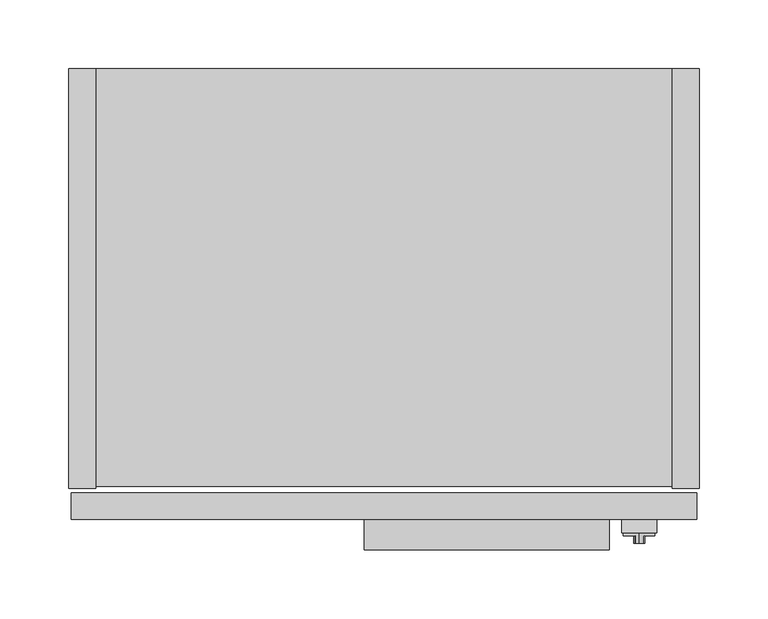
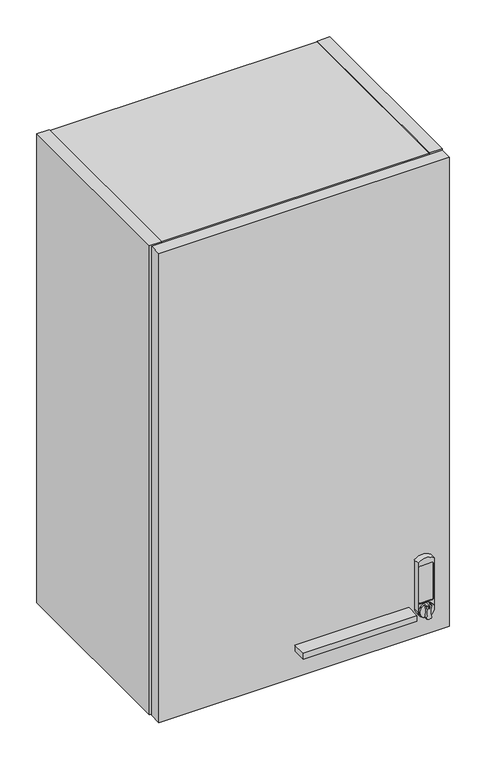
"""IFC4 building model written with IfcOpenShell, lengths in millimetres: furniture geometry."""

from ifc_helpers import new_model, si_unit, point, frame, frame_2d, origin, place, context, project, spatial, polyline, circle_curve, trimmed, segment, composite_curve, outline, extrude, source, transform, mapped, element, save
from ifc_brep_helpers import plane_surface, cylinder_surface, revolved_surface, advanced_brep


def furniture_89d7858a(model_context):
    return source(origin(), model_context, "Body", "SolidModel", [
        advanced_brep(
        [(413.7025, -344.551, 1939.7791484), (410.748813, -344.551, 1939.3909161), (409.8355336, -344.551, 1937.6339969), (409.8053845, -344.551, 1918.5009499), (410.748813, -344.551, 1917.3073808), (413.7025, -344.551, 1916.9191484), (416.656187, -344.551, 1917.3073808), (417.5996155, -344.551, 1918.5009499), (417.5694664, -344.551, 1937.6339969), (416.656187, -344.551, 1939.3909161), (412.9405, -344.551, 1937.7617878), (414.4645, -344.551, 1937.7617878), (414.4645, -344.551, 1934.4712263), (412.9405, -344.551, 1934.4712263), (413.7025, -336.931, 1939.7791484), (413.7025, -336.931, 1916.9191484), (416.656187, -339.1034403, 1939.3909161), (416.656187, -339.1034403, 1917.3073808), (410.748813, -339.1034403, 1917.3073808), (410.748813, -339.1034403, 1939.3909161), (409.8053845, -339.1034403, 1918.5009499), (409.8355336, -339.1034403, 1937.6339969), (417.5996155, -339.1034403, 1918.5009499), (417.5694664, -339.1034403, 1937.6339969), (412.9405, -343.3268699, 1934.4712263), (414.4645, -343.3268699, 1934.4712263), (414.4645, -343.3268699, 1937.7617878), (412.9405, -343.3268699, 1937.7617878)],
        [
            (0, 1, circle_curve(frame((413.7025, -344.551, 1928.3491484), z_axis=(0.0, -1.0, 0.0), x_axis=(0.0, 0.0, -1.0)), 11.43)),
            (1, 2, circle_curve(frame((411.28904, -344.551, 1937.9942665), z_axis=(0.0, -1.0, 0.0), x_axis=(0.0, 0.0, -1.0)), 1.4974896)),
            (2, 3, circle_curve(frame((371.4831576, -344.551, 1928.1278836), z_axis=(0.0, 1.0, 0.0), x_axis=(0.0, 0.0, -1.0)), 39.512921)),
            (3, 4, circle_curve(frame((411.28904, -344.551, 1918.7040303), z_axis=(0.0, -1.0, 0.0), x_axis=(0.0, 0.0, -1.0)), 1.4974896)),
            (4, 5, circle_curve(frame((413.7025, -344.551, 1928.3491484), z_axis=(0.0, -1.0, 0.0), x_axis=(0.0, 0.0, -1.0)), 11.43)),
            (5, 6, circle_curve(frame((413.7025, -344.551, 1928.3491484), z_axis=(0.0, -1.0, 0.0), x_axis=(0.0, 0.0, -1.0)), 11.43)),
            (6, 7, circle_curve(frame((416.11596, -344.551, 1918.7040303), z_axis=(0.0, -1.0, 0.0), x_axis=(0.0, 0.0, -1.0)), 1.4974896)),
            (7, 8, circle_curve(frame((455.9218424, -344.551, 1928.1278836), z_axis=(0.0, 1.0, 0.0), x_axis=(0.0, 0.0, -1.0)), 39.512921)),
            (8, 9, circle_curve(frame((416.11596, -344.551, 1937.9942665), z_axis=(0.0, -1.0, 0.0), x_axis=(0.0, 0.0, -1.0)), 1.4974896)),
            (9, 0, circle_curve(frame((413.7025, -344.551, 1928.3491484), z_axis=(0.0, -1.0, 0.0), x_axis=(0.0, 0.0, -1.0)), 11.43)),
            (10, 11, circle_curve(frame((413.7025, -344.551, 1937.7617878), z_axis=(0.0, 1.0, 0.0), x_axis=(0.0, 0.0, -1.0)), 0.762)),
            (11, 12),
            (12, 13, circle_curve(frame((413.7025, -344.551, 1934.4712263), z_axis=(0.0, 1.0, 0.0), x_axis=(0.0, 0.0, 1.0)), 0.762)),
            (13, 10),
            (14, 15, circle_curve(frame((413.7025, -336.931, 1928.3491484), z_axis=(0.0, 1.0, 0.0), x_axis=(0.0, 0.0, -1.0)), 11.43)),
            (15, 14, circle_curve(frame((413.7025, -336.931, 1928.3491484), z_axis=(0.0, 1.0, 0.0), x_axis=(0.0, 0.0, -1.0)), 11.43)),
            (14, 0),
            (9, 16),
            (16, 17, circle_curve(frame((413.7025, -339.1034403, 1928.3491484), z_axis=(0.0, 1.0, 0.0), x_axis=(0.0, 0.0, -1.0)), 11.43)),
            (17, 6),
            (5, 15),
            (4, 18),
            (18, 19, circle_curve(frame((413.7025, -339.1034403, 1928.3491484), z_axis=(0.0, 1.0, 0.0), x_axis=(0.0, 0.0, -1.0)), 11.43)),
            (19, 1),
            (20, 21, circle_curve(frame((371.4831576, -339.1034403, 1928.1278836), z_axis=(0.0, -1.0, 0.0), x_axis=(0.0, 0.0, -1.0)), 39.512921)),
            (21, 19, circle_curve(frame((411.28904, -339.1034403, 1937.9942665), z_axis=(0.0, 1.0, 0.0), x_axis=(0.0, 0.0, -1.0)), 1.4974896)),
            (18, 20, circle_curve(frame((411.28904, -339.1034403, 1918.7040303), z_axis=(0.0, 1.0, 0.0), x_axis=(0.0, 0.0, -1.0)), 1.4974896)),
            (22, 17, circle_curve(frame((416.11596, -339.1034403, 1918.7040303), z_axis=(0.0, 1.0, 0.0), x_axis=(0.0, 0.0, -1.0)), 1.4974896)),
            (16, 23, circle_curve(frame((416.11596, -339.1034403, 1937.9942665), z_axis=(0.0, 1.0, 0.0), x_axis=(0.0, 0.0, -1.0)), 1.4974896)),
            (23, 22, circle_curve(frame((455.9218424, -339.1034403, 1928.1278836), z_axis=(0.0, -1.0, 0.0), x_axis=(0.0, 0.0, -1.0)), 39.512921)),
            (3, 20),
            (21, 2),
            (23, 8),
            (7, 22),
            (24, 25, circle_curve(frame((413.7025, -343.3268699, 1934.4712263), z_axis=(0.0, -1.0, 0.0), x_axis=(0.0, 0.0, 1.0)), 0.762)),
            (25, 26),
            (26, 27, circle_curve(frame((413.7025, -343.3268699, 1937.7617878), z_axis=(0.0, -1.0, 0.0), x_axis=(0.0, 0.0, -1.0)), 0.762)),
            (27, 24),
            (27, 10),
            (13, 24),
            (26, 11),
            (25, 12),
        ],
        [
            plane_surface(frame((413.7025, -344.551, 1916.9191484), z_axis=(0.0, -1.0, 0.0), x_axis=(-1.0, 0.0, 0.0))),
            plane_surface(frame((413.7025, -336.931, 1916.9191484), z_axis=(0.0, 1.0, 0.0), x_axis=(1.0, 0.0, 0.0))),
            cylinder_surface(frame((413.7025, -336.931, 1928.3491484), z_axis=(0.0, -1.0, 0.0), x_axis=(0.0, 0.0, -1.0)), 11.43),
            plane_surface(frame((411.28904, -339.1034403, 1917.2065407), z_axis=(0.0, -1.0, 0.0), x_axis=(-1.0, 0.0, 0.0))),
            cylinder_surface(frame((411.28904, -339.1034403, 1918.7040303), z_axis=(0.0, 1.0, 0.0), x_axis=(0.0, 0.0, -1.0)), 1.4974896),
            cylinder_surface(frame((411.28904, -339.1034403, 1937.9942665), z_axis=(0.0, 1.0, 0.0), x_axis=(0.0, 0.0, -1.0)), 1.4974896),
            revolved_surface(polyline([(371.4831576, -344.551, 1888.6149626), (371.4831576, -339.1034403, 1888.6149626)]), (371.4831576, -339.1034403, 1928.1278836), (0.0, -1.0, 0.0)),
            revolved_surface(polyline([(455.9218424, -344.551, 1888.6149626), (455.9218424, -339.1034403, 1888.6149626)]), (455.9218424, -327.025, 1928.1278836), (0.0, -1.0, 0.0)),
            cylinder_surface(frame((416.11596, -327.025, 1937.9942665), z_axis=(0.0, 1.0, 0.0), x_axis=(0.0, 0.0, -1.0)), 1.4974896),
            cylinder_surface(frame((416.11596, -327.025, 1918.7040303), z_axis=(0.0, 1.0, 0.0), x_axis=(0.0, 0.0, -1.0)), 1.4974896),
            plane_surface(frame((412.9405, -343.3268699, 2013.5554451), z_axis=(0.0, -1.0, 0.0), x_axis=(0.0, 0.0, -1.0))),
            plane_surface(frame((412.9405, -344.551, 1934.4712263), z_axis=(1.0, 0.0, 0.0), x_axis=(0.0, 1.0, 0.0))),
            revolved_surface(polyline([(413.7025, -344.551, 1936.9997878000001), (413.7025, -343.3268699, 1936.9997878000001)]), (413.7025, -343.3268699, 1937.7617878), (0.0, -1.0, 0.0)),
            plane_surface(frame((414.4645, -344.551, 1937.7617878), z_axis=(-1.0, 0.0, 0.0), x_axis=(0.0, 1.0, 0.0))),
            revolved_surface(polyline([(413.7025, -344.551, 1935.2332262999998), (413.7025, -343.3268699, 1935.2332262999998)]), (413.7025, -343.3268699, 1934.4712263), (0.0, -1.0, 0.0)),
        ],
        [
            (0, [[1, 2, 3, 4, 5, 6, 7, 8, 9, 10], [11, 12, 13, 14]]),
            (1, [[15, 16]]),
            (2, [[17, -10, 18, 19, 20, -6, 21, -15]]),
            (2, [[-21, -5, 22, 23, 24, -1, -17, -16]]),
            (3, [[25, 26, -23, 27]]),
            (3, [[28, -19, 29, 30]]),
            (4, [[-22, -4, 31, -27]]),
            (5, [[32, -2, -24, -26]]),
            (6, [[-31, -3, -32, -25]]),
            (7, [[33, -8, 34, -30]]),
            (8, [[-18, -9, -33, -29]]),
            (9, [[-34, -7, -20, -28]]),
            (10, [[35, 36, 37, 38]]),
            (11, [[39, -14, 40, -38]]),
            (12, [[41, -11, -39, -37]]),
            (13, [[42, -12, -41, -36]]),
            (14, [[-40, -13, -42, -35]]),
        ],
    ),
        advanced_brep(
        [(401.0025, -336.931, 2008.9061718), (401.0025, -336.931, 1928.2156), (426.4025, -336.931, 1928.2156), (426.4025, -336.931, 2008.9061718), (425.1325, -336.931, 1943.5097734), (422.5925, -336.931, 1940.9697734), (404.8125, -336.931, 1940.9697734), (402.2725, -336.931, 1943.5097734), (402.2725, -336.931, 2000.1253259), (404.8125, -336.931, 2002.6653259), (422.5925, -336.931, 2002.6653259), (425.1325, -336.931, 2000.1253259), (401.0025, -327.025, 2008.9061718), (426.4025, -327.025, 2008.9061718), (426.4025, -327.025, 1928.2156), (401.0025, -327.025, 1928.2156), (422.5925, -335.4242162, 2002.6653259), (404.8125, -335.4242162, 2002.6653259), (402.2725, -335.4242162, 2000.1253259), (402.2725, -335.4242162, 1943.5097734), (404.8125, -335.4242162, 1940.9697734), (422.5925, -335.4242162, 1940.9697734), (425.1325, -335.4242162, 1943.5097734), (425.1325, -335.4242162, 2000.1253259)],
        [
            (0, 1),
            (1, 2, circle_curve(frame((413.7025, -336.931, 1928.2156), z_axis=(0.0, -1.0, 0.0), x_axis=(0.0, 0.0, -1.0)), 12.7)),
            (2, 3),
            (3, 0, circle_curve(frame((413.7025, -336.931, 1993.885087), z_axis=(0.0, -1.0, 0.0), x_axis=(0.0, 0.0, -1.0)), 19.6703582)),
            (4, 5, circle_curve(frame((422.5925, -336.931, 1943.5097734), z_axis=(0.0, 1.0, 0.0), x_axis=(0.0, 0.0, -1.0)), 2.54)),
            (5, 6),
            (6, 7, circle_curve(frame((404.8125, -336.931, 1943.5097734), z_axis=(0.0, 1.0, 0.0), x_axis=(0.0, 0.0, -1.0)), 2.54)),
            (7, 8),
            (8, 9, circle_curve(frame((404.8125, -336.931, 2000.1253259), z_axis=(0.0, 1.0, 0.0), x_axis=(0.0, 0.0, -1.0)), 2.54)),
            (9, 10),
            (10, 11, circle_curve(frame((422.5925, -336.931, 2000.1253259), z_axis=(0.0, 1.0, 0.0), x_axis=(0.0, 0.0, -1.0)), 2.54)),
            (11, 4),
            (12, 13, circle_curve(frame((413.7025, -327.025, 1993.885087), z_axis=(0.0, 1.0, 0.0), x_axis=(0.0, 0.0, -1.0)), 19.6703582)),
            (13, 14),
            (14, 15, circle_curve(frame((413.7025, -327.025, 1928.2156), z_axis=(0.0, 1.0, 0.0), x_axis=(0.0, 0.0, -1.0)), 12.7)),
            (15, 12),
            (2, 14),
            (13, 3),
            (0, 12),
            (15, 1),
            (16, 17),
            (17, 18, circle_curve(frame((404.8125, -335.4242162, 2000.1253259), z_axis=(0.0, -1.0, 0.0), x_axis=(0.0, 0.0, -1.0)), 2.54)),
            (18, 19),
            (19, 20, circle_curve(frame((404.8125, -335.4242162, 1943.5097734), z_axis=(0.0, -1.0, 0.0), x_axis=(0.0, 0.0, -1.0)), 2.54)),
            (20, 21),
            (21, 22, circle_curve(frame((422.5925, -335.4242162, 1943.5097734), z_axis=(0.0, -1.0, 0.0), x_axis=(0.0, 0.0, -1.0)), 2.54)),
            (22, 23),
            (23, 16, circle_curve(frame((422.5925, -335.4242162, 2000.1253259), z_axis=(0.0, -1.0, 0.0), x_axis=(0.0, 0.0, -1.0)), 2.54)),
            (22, 4),
            (11, 23),
            (20, 6),
            (5, 21),
            (18, 8),
            (7, 19),
            (16, 10),
            (9, 17),
        ],
        [
            plane_surface(frame((413.7025, -336.931, 1974.2147288), z_axis=(0.0, -1.0, 0.0), x_axis=(-1.0, 0.0, 0.0))),
            plane_surface(frame((413.7025, -327.025, 1974.2147288), z_axis=(0.0, 1.0, 0.0), x_axis=(1.0, 0.0, 0.0))),
            plane_surface(frame((426.4025, -336.931, 2008.9061718), z_axis=(1.0, 0.0, 0.0), x_axis=(0.0, 1.0, 0.0))),
            plane_surface(frame((401.0025, -336.931, 1928.2156), z_axis=(-1.0, 0.0, 2.7958673908800244e-12), x_axis=(0.0, 1.0, 0.0))),
            plane_surface(frame((422.5925, -335.4242162, 1997.5853259), z_axis=(0.0, -1.0, 0.0), x_axis=(1.0, 0.0, 0.0))),
            cylinder_surface(frame((413.7025, -327.025, 1928.2156), z_axis=(0.0, -1.0, 0.0), x_axis=(0.0, 0.0, -1.0)), 12.7),
            plane_surface(frame((425.1325, -343.3268699, 2000.1253259), z_axis=(-1.0, 0.0, -3.0438306120267246e-12), x_axis=(0.0, 1.0, 0.0))),
            plane_surface(frame((422.5925, -343.3268699, 1940.9697734), z_axis=(0.0, 0.0, 1.0), x_axis=(0.0, 1.0, 0.0))),
            plane_surface(frame((402.2725, -343.3268699, 1943.5097734), z_axis=(1.0, 0.0, 0.0), x_axis=(0.0, 1.0, 0.0))),
            plane_surface(frame((404.8125, -343.3268699, 2002.6653259), z_axis=(0.0, 0.0, -1.0), x_axis=(0.0, 1.0, 0.0))),
            revolved_surface(polyline([(422.5925, -336.931, 1997.5853259), (422.5925, -335.4242162, 1997.5853259)]), (422.5925, -335.4242162, 2000.1253259), (0.0, -1.0, 0.0)),
            revolved_surface(polyline([(422.5925, -336.931, 1940.9697734000001), (422.5925, -335.4242162, 1940.9697734000001)]), (422.5925, -335.4242162, 1943.5097734), (0.0, -1.0, 0.0)),
            revolved_surface(polyline([(404.8125, -336.931, 1940.9697734000001), (404.8125, -335.4242162, 1940.9697734000001)]), (404.8125, -335.4242162, 1943.5097734), (0.0, -1.0, 0.0)),
            revolved_surface(polyline([(404.8125, -336.931, 1997.5853259), (404.8125, -335.4242162, 1997.5853259)]), (404.8125, -335.4242162, 2000.1253259), (0.0, -1.0, 0.0)),
            cylinder_surface(frame((413.7025, -327.025, 1993.885087), z_axis=(0.0, -1.0, 0.0), x_axis=(0.0, 0.0, -1.0)), 19.6703582),
        ],
        [
            (0, [[1, 2, 3, 4], [5, 6, 7, 8, 9, 10, 11, 12]]),
            (1, [[13, 14, 15, 16]]),
            (2, [[17, -14, 18, -3]]),
            (3, [[19, -16, 20, -1]]),
            (4, [[21, 22, 23, 24, 25, 26, 27, 28]]),
            (5, [[-20, -15, -17, -2]]),
            (6, [[29, -12, 30, -27]]),
            (7, [[31, -6, 32, -25]]),
            (8, [[33, -8, 34, -23]]),
            (9, [[35, -10, 36, -21]]),
            (10, [[-30, -11, -35, -28]]),
            (11, [[-32, -5, -29, -26]]),
            (12, [[-34, -7, -31, -24]]),
            (13, [[-36, -9, -33, -22]]),
            (14, [[-18, -13, -19, -4]]),
        ],
    ),
        extrude(outline(polyline([(392.1125, -349.25), (214.3125, -349.25), (214.3125, -327.025), (392.1125, -327.025), (392.1125, -349.25)])), frame((0.0, 0.0, 1923.4531), z_axis=(0.0, 0.0, 1.0), x_axis=(1.0, 0.0, 0.0)), (0.0, 0.0, 1.0), 9.525),
        extrude(outline(polyline([(19.304, -304.546), (0.0, -304.546), (0.0, 0.0), (19.304, 0.0), (19.304, -304.546)])), frame((0.0, 0.0, 1879.6), z_axis=(0.0, 0.0, 1.0), x_axis=(1.0, 0.0, 0.0)), (0.0, 0.0, 1.0), 774.7),
        extrude(outline(composite_curve([segment(polyline([(-304.546, 1879.6), (-304.546, 2654.3), (0.0, 2654.3), (0.0, 2571.242), (-9.5254487, 2571.242)]), True, "CONTINUOUS"), segment(trimmed(circle_curve(frame_2d((-9.5254487, 2568.0674487)), 3.1745513), [point((-9.5254487, 2571.242))], [point((-12.7, 2568.0674487))], True, "CARTESIAN"), True, "CONTINUOUS"), segment(polyline([(-12.7, 2568.0674487), (-12.7, 2466.467)]), True, "CONTINUOUS"), segment(trimmed(circle_curve(frame_2d((-9.525, 2466.467)), 3.175), [point((-12.7, 2466.467))], [point((-9.525, 2463.292))], True, "CARTESIAN"), True, "CONTINUOUS"), segment(polyline([(-9.525, 2463.292), (0.0, 2463.292), (0.0, 1879.6), (-304.546, 1879.6)]), True, "CONTINUOUS")], self_intersect=False)), frame((437.896, 0.0, 0.0), z_axis=(1.0, 0.0, 0.0), x_axis=(0.0, 1.0, 0.0)), (0.0, 0.0, 1.0), 19.304),
        extrude(outline(polyline([(437.896, -303.022), (19.304, -303.022), (19.304, -12.7), (437.896, -12.7), (437.896, -303.022)])), frame((0.0, 0.0, 1881.124), z_axis=(0.0, 0.0, 1.0), x_axis=(1.0, 0.0, 0.0)), (0.0, 0.0, 1.0), 19.304),
        extrude(outline(polyline([(437.896, -12.7), (437.896, -32.004), (19.304, -32.004), (19.304, -12.7), (437.896, -12.7)])), frame((0.0, 0.0, 1900.428), z_axis=(0.0, 0.0, 1.0), x_axis=(1.0, 0.0, 0.0)), (0.0, 0.0, 1.0), 734.568),
        extrude(outline(polyline([(437.896, -303.022), (19.304, -303.022), (19.304, 0.0), (437.896, 0.0), (437.896, -303.022)])), frame((0.0, 0.0, 2634.996), z_axis=(0.0, 0.0, 1.0), x_axis=(1.0, 0.0, 0.0)), (0.0, 0.0, 1.0), 17.78),
        extrude(outline(polyline([(455.6125, -327.025), (1.5875, -327.025), (1.5875, -307.721), (455.6125, -307.721), (455.6125, -327.025)])), frame((0.0, 0.0, 1879.6), z_axis=(0.0, 0.0, 1.0), x_axis=(1.0, 0.0, 0.0)), (0.0, 0.0, 1.0), 774.7),
    ])


if __name__ == "__main__":
    model = new_model("IFC4")
    model_context = context("Model", 3, world=origin())
    ifc_project = project(units=[si_unit("LENGTHUNIT", "METRE", prefix="MILLI")], contexts=[model_context])
    site = spatial("IfcSite", under=ifc_project)
    building = spatial("IfcBuilding", under=site)
    placement = place(None, origin())
    furniture_shape = furniture_89d7858a(model_context)
    element("IfcFurniture", 1, at=placement, inside=building, context=model_context, shape_type="MappedRepresentation", body=[
        mapped(furniture_shape, transform((0.0, 0.0, 0.0), x_axis=(1.0, 0.0, 0.0), y_axis=(0.0, 1.0, 0.0), z_axis=(0.0, 0.0, 1.0))),
    ])
    save(model, "model.ifc")
